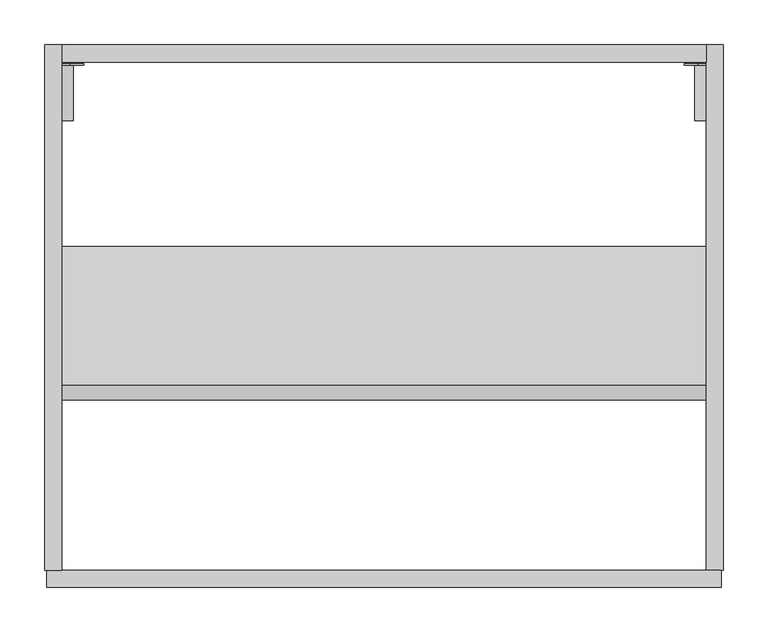
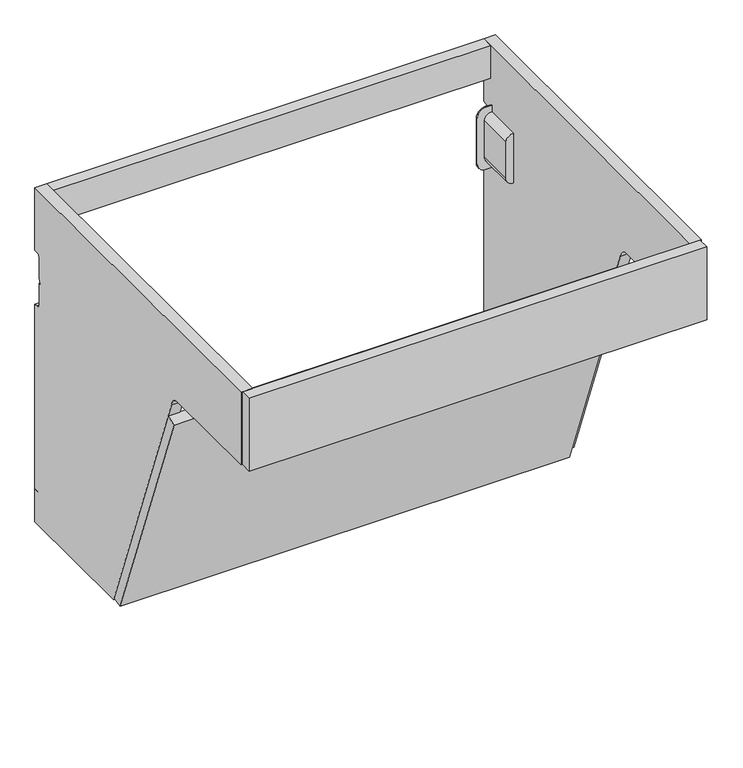
"""IFC4 building model written with IfcOpenShell, lengths in millimetres: furniture geometry."""

from ifc_helpers import new_model, si_unit, point, frame, frame_2d, origin, origin_with_axes, place, context, project, spatial, polyline, circle_curve, trimmed, segment, composite_curve, outline, extrude, source, transform, mapped, element, save
from ifc_brep_helpers import plane_surface, cylinder_surface, advanced_brep


def furniture_562c38b1(model_context):
    return source(origin(), model_context, "Body", "SolidModel", [
        advanced_brep(
        [(739.3672031, -15.7352068, 438.6502238), (739.3672031, -8.4982509, 438.6502238), (733.6499136, -8.4982509, 438.6502238), (733.6499136, -23.4902086, 438.6502238), (742.3428423, -23.4902086, 438.6502238), (742.3428423, -21.5752277, 438.6502238), (739.3672031, -8.4982509, 424.6502063), (739.3672031, -10.1131545, 424.6502063), (733.6499136, -10.1131545, 424.6502063), (733.6499136, -8.4982509, 424.6502063), (733.6499136, -23.4902086, 424.6502063), (733.6499136, -15.5720146, 424.6502063), (739.3672031, -15.5720146, 424.6502063), (739.3672031, -15.7352068, 424.6502063), (742.3428423, -21.5752277, 424.6502063), (742.3428423, -23.4902086, 424.6502063), (733.6499136, -11.3465095, 431.6502151), (733.6499136, -14.3245254, 431.6502151), (739.3672031, -14.3245254, 431.6502151), (739.3672031, -11.3465095, 431.6502151)],
        [
            (0, 1),
            (1, 2, circle_curve(frame((736.5085583, -8.4982509, 438.6502238), z_axis=(0.0, 0.0, 1.0), x_axis=(-1.0, 0.0, 0.0)), 2.8586447)),
            (2, 3),
            (3, 4),
            (4, 5),
            (5, 0),
            (6, 7),
            (7, 8),
            (8, 9),
            (9, 6, circle_curve(frame((736.5085583, -8.4982509, 424.6502063), z_axis=(0.0, 0.0, -1.0), x_axis=(-1.0, 0.0, 0.0)), 2.8586447)),
            (10, 11),
            (11, 12),
            (12, 13),
            (13, 14),
            (14, 15),
            (15, 10),
            (5, 14),
            (13, 0),
            (2, 9),
            (8, 16),
            (16, 17),
            (17, 11),
            (10, 3),
            (1, 6),
            (12, 18),
            (18, 19),
            (19, 7),
            (4, 15),
            (18, 17),
            (16, 19),
        ],
        [
            plane_surface(frame((742.2500427, -21.3930983, 438.6502238), z_axis=(0.0, 0.0, 1.0), x_axis=(0.45399049973954764, -0.8910065241883675, 0.0))),
            plane_surface(frame((742.2500427, -21.3930983, 424.6502063), z_axis=(0.0, 0.0, -1.0), x_axis=(-0.45399049973954764, 0.8910065241883675, 0.0))),
            plane_surface(frame((739.3672031, -15.7352068, 438.6502238), z_axis=(0.8910065241883675, 0.45399049973954764, 0.0), x_axis=(0.0, 0.0, -1.0))),
            plane_surface(frame((733.6499136, -23.4902086, 438.6502238), z_axis=(-1.0, 0.0, 0.0), x_axis=(0.0, 0.0, -1.0))),
            cylinder_surface(frame((736.5085583, -8.4982509, 424.6502063), z_axis=(0.0, 0.0, 1.0), x_axis=(-1.0, 0.0, 0.0)), 2.8586447),
            plane_surface(frame((739.3672031, -8.4982509, 438.6502238), z_axis=(1.0, 0.0, 0.0), x_axis=(0.0, 0.0, -1.0))),
            plane_surface(frame((742.3428423, -21.5752277, 438.6502238), z_axis=(1.0, 0.0, 0.0), x_axis=(0.0, 0.0, -1.0))),
            plane_surface(frame((742.3428423, -23.4902086, 438.6502238), z_axis=(0.0, -1.0, 0.0), x_axis=(0.0, 0.0, -1.0))),
            plane_surface(frame((680.5727603, -11.3465095, 431.6502151), z_axis=(0.0, 0.0, -1.0), x_axis=(1.0, 0.0, 0.0))),
            plane_surface(frame((680.5727603, -14.3245254, 431.6502151), z_axis=(0.0, 0.9844886613913678, -0.1754482134187542), x_axis=(1.0, 0.0, 0.0))),
            plane_surface(frame((680.5727603, -10.1131545, 424.6502063), z_axis=(0.0, -0.9848302513804711, -0.17352053470952136), x_axis=(1.0, 0.0, 0.0))),
        ],
        [
            (0, [[1, 2, 3, 4, 5, 6]]),
            (1, [[7, 8, 9, 10]]),
            (1, [[11, 12, 13, 14, 15, 16]]),
            (2, [[17, -14, 18, -6]]),
            (3, [[19, -9, 20, 21, 22, -11, 23, -3]]),
            (4, [[24, -10, -19, -2]]),
            (5, [[-18, -13, 25, 26, 27, -7, -24, -1]]),
            (6, [[28, -15, -17, -5]]),
            (7, [[-23, -16, -28, -4]]),
            (8, [[-26, 29, -21, 30]]),
            (9, [[-25, -12, -22, -29]]),
            (10, [[-20, -8, -27, -30]]),
        ],
    ),
        extrude(outline(composite_curve([segment(trimmed(circle_curve(frame_2d((454.4501315, 739.1999564)), 1.499963), [point((454.4501315, 740.6999193))], [point((452.9501686, 739.1999564))], True, "CARTESIAN"), True, "CONTINUOUS"), segment(trimmed(circle_curve(frame_2d((450.4695921, 739.1999564)), 2.4805765), [point((452.9501686, 739.1999564))], [point((451.3988324, 736.9000059))], False, "CARTESIAN"), True, "CONTINUOUS"), segment(polyline([(451.3988324, 736.9000059), (419.0132613, 736.9000059)]), True, "CONTINUOUS"), segment(trimmed(circle_curve(frame_2d((419.0132613, 738.5153186)), 1.6153127), [point((419.0132613, 736.9000059))], [point((417.5502399, 739.2000109))], False, "CARTESIAN"), True, "CONTINUOUS"), segment(trimmed(circle_curve(frame_2d((416.0502225, 739.1999019)), 1.5000175), [point((417.5502399, 739.2000109))], [point((416.0502225, 740.6999193))], True, "CARTESIAN"), True, "CONTINUOUS"), segment(polyline([(416.0502225, 740.6999193), (387.6501755, 740.6999193), (387.6501755, 742.8000818), (418.1502397, 742.8000818)]), True, "CONTINUOUS"), segment(trimmed(circle_curve(frame_2d((418.1502397, 741.1609414)), 1.6391404), [point((418.1502397, 742.8000818))], [point((419.6502208, 740.5000042))], False, "CARTESIAN"), True, "CONTINUOUS"), segment(trimmed(circle_curve(frame_2d((420.6914459, 740.0412088)), 1.1378237), [point((419.6502208, 740.5000042))], [point((421.1501656, 738.9999504))], True, "CARTESIAN"), True, "CONTINUOUS"), segment(polyline([(421.1501656, 738.9999504), (449.3501884, 738.9999504)]), True, "CONTINUOUS"), segment(trimmed(circle_curve(frame_2d((449.3501884, 740.3471498)), 1.3471994), [point((449.3501884, 738.9999504))], [point((450.6503807, 740.6999193))], True, "CARTESIAN"), True, "CONTINUOUS"), segment(trimmed(circle_curve(frame_2d((452.2585786, 741.1362572)), 1.6663407), [point((450.6503807, 740.6999193))], [point((452.3501144, 742.8000818))], False, "CARTESIAN"), True, "CONTINUOUS"), segment(polyline([(452.3501144, 742.8000818), (467.8501857, 742.8000818), (467.8501857, 740.6999193), (454.4501315, 740.6999193)]), True, "CONTINUOUS")], self_intersect=False)), frame((0.0, -23.4902086, 0.0), z_axis=(0.0, 1.0, 0.0), x_axis=(0.0, 0.0, 1.0)), (0.0, 0.0, 1.0), 3.1878868),
        extrude(outline(composite_curve([segment(polyline([(470.8980011, 742.8000818), (482.0979352, 742.8000818), (482.0979352, 733.0997675)]), True, "CONTINUOUS"), segment(trimmed(circle_curve(frame_2d((467.098231, 733.0997675)), 14.9997042), [point((482.0979352, 733.0997675))], [point((467.098231, 718.1000633))], False, "CARTESIAN"), True, "CONTINUOUS"), segment(polyline([(467.098231, 718.1000633), (388.3940254, 718.1000633)]), True, "CONTINUOUS"), segment(trimmed(circle_curve(frame_2d((388.3940254, 733.1000198)), 14.9999565), [point((388.3940254, 718.1000633))], [point((373.3940689, 733.1000198))], False, "CARTESIAN"), True, "CONTINUOUS"), segment(polyline([(373.3940689, 733.1000198), (373.3940689, 742.8000818), (384.2300572, 742.8000818)]), True, "CONTINUOUS"), segment(trimmed(circle_curve(frame_2d((396.0939551, 741.7856737)), 11.9071868), [point((384.2300572, 742.8000818))], [point((396.0939551, 729.8784868))], True, "CARTESIAN"), True, "CONTINUOUS"), segment(polyline([(396.0939551, 729.8784868), (459.3980853, 729.8784868)]), True, "CONTINUOUS"), segment(trimmed(circle_curve(frame_2d((459.3980853, 741.4566117)), 11.5781249), [point((459.3980853, 729.8784868))], [point((470.8980011, 742.8000818))], True, "CARTESIAN"), True, "CONTINUOUS")], self_intersect=False)), frame((0.0, -23.4902086, 0.0), z_axis=(0.0, 1.0, 0.0), x_axis=(0.0, 0.0, 1.0)), (0.0, 0.0, 1.0), 2.0971104),
        extrude(outline(composite_curve([segment(polyline([(384.2300572, 742.8000818), (470.8980011, 742.8000818)]), True, "CONTINUOUS"), segment(trimmed(circle_curve(frame_2d((459.3980853, 741.4566117)), 11.5781249), [point((470.8980011, 742.8000818))], [point((459.3980853, 729.8784868))], False, "CARTESIAN"), True, "CONTINUOUS"), segment(polyline([(459.3980853, 729.8784868), (396.0939551, 729.8784868)]), True, "CONTINUOUS"), segment(trimmed(circle_curve(frame_2d((396.0939551, 741.7856737)), 11.9071868), [point((396.0939551, 729.8784868))], [point((384.2300572, 742.8000818))], False, "CARTESIAN"), True, "CONTINUOUS")], self_intersect=False)), frame((0.0, -85.5646173, 0.0), z_axis=(0.0, 1.0, 0.0), x_axis=(0.0, 0.0, 1.0)), (0.0, 0.0, 1.0), 62.0744087),
        advanced_brep(
        [(22.6327969, -15.7352068, 438.6502238), (19.6571577, -21.5752277, 438.6502238), (19.6571577, -23.4902086, 438.6502238), (28.3500864, -23.4902086, 438.6502238), (28.3500864, -8.4982509, 438.6502238), (22.6327969, -8.4982509, 438.6502238), (22.6327969, -8.4982509, 424.6502063), (28.3500864, -8.4982509, 424.6502063), (28.3500864, -10.1131545, 424.6502063), (22.6327969, -10.1131545, 424.6502063), (28.3500864, -23.4902086, 424.6502063), (19.6571577, -23.4902086, 424.6502063), (19.6571577, -21.5752277, 424.6502063), (22.6327969, -15.7352068, 424.6502063), (22.6327969, -15.5720146, 424.6502063), (28.3500864, -15.5720146, 424.6502063), (28.3500864, -14.3245254, 431.6502151), (28.3500864, -11.3465095, 431.6502151), (22.6327969, -11.3465095, 431.6502151), (22.6327969, -14.3245254, 431.6502151)],
        [
            (0, 1),
            (1, 2),
            (2, 3),
            (3, 4),
            (4, 5, circle_curve(frame((25.4914417, -8.4982509, 438.6502238), z_axis=(0.0, 0.0, 1.0), x_axis=(1.0, 0.0, 0.0)), 2.8586447)),
            (5, 0),
            (6, 7, circle_curve(frame((25.4914417, -8.4982509, 424.6502063), z_axis=(0.0, 0.0, -1.0), x_axis=(1.0, 0.0, 0.0)), 2.8586447)),
            (7, 8),
            (8, 9),
            (9, 6),
            (10, 11),
            (11, 12),
            (12, 13),
            (13, 14),
            (14, 15),
            (15, 10),
            (0, 13),
            (12, 1),
            (3, 10),
            (15, 16),
            (16, 17),
            (17, 8),
            (7, 4),
            (6, 5),
            (9, 18),
            (18, 19),
            (19, 14),
            (11, 2),
            (18, 17),
            (16, 19),
        ],
        [
            plane_surface(frame((19.7499573, -21.3930983, 438.6502238), z_axis=(0.0, 0.0, 1.0), x_axis=(-0.45399049973954764, -0.8910065241883675, 0.0))),
            plane_surface(frame((19.7499573, -21.3930983, 424.6502063), z_axis=(0.0, 0.0, -1.0), x_axis=(0.45399049973954764, 0.8910065241883675, 0.0))),
            plane_surface(frame((22.6327969, -15.7352068, 438.6502238), z_axis=(-0.8910065241883675, 0.45399049973954764, 0.0), x_axis=(0.0, 0.0, -1.0))),
            plane_surface(frame((28.3500864, -23.4902086, 438.6502238), z_axis=(1.0, 0.0, 0.0), x_axis=(0.0, 0.0, -1.0))),
            cylinder_surface(frame((25.4914417, -8.4982509, 424.6502063), z_axis=(0.0, 0.0, 1.0), x_axis=(1.0, 0.0, 0.0)), 2.8586447),
            plane_surface(frame((22.6327969, -8.4982509, 438.6502238), z_axis=(-1.0, 0.0, 0.0), x_axis=(0.0, 0.0, -1.0))),
            plane_surface(frame((19.6571577, -21.5752277, 438.6502238), z_axis=(-1.0, 0.0, 0.0), x_axis=(0.0, 0.0, -1.0))),
            plane_surface(frame((19.6571577, -23.4902086, 438.6502238), z_axis=(0.0, -1.0, 0.0), x_axis=(0.0, 0.0, -1.0))),
            plane_surface(frame((81.4272397, -11.3465095, 431.6502151), z_axis=(0.0, 0.0, -1.0), x_axis=(-1.0, 0.0, 0.0))),
            plane_surface(frame((81.4272397, -14.3245254, 431.6502151), z_axis=(0.0, 0.9844886613913678, -0.1754482134187542), x_axis=(-1.0, 0.0, 0.0))),
            plane_surface(frame((81.4272397, -10.1131545, 424.6502063), z_axis=(0.0, -0.9848302513804711, -0.17352053470952136), x_axis=(-1.0, 0.0, 0.0))),
        ],
        [
            (0, [[1, 2, 3, 4, 5, 6]]),
            (1, [[7, 8, 9, 10]]),
            (1, [[11, 12, 13, 14, 15, 16]]),
            (2, [[-1, 17, -13, 18]]),
            (3, [[-4, 19, -16, 20, 21, 22, -8, 23]]),
            (4, [[-5, -23, -7, 24]]),
            (5, [[-6, -24, -10, 25, 26, 27, -14, -17]]),
            (6, [[-2, -18, -12, 28]]),
            (7, [[-3, -28, -11, -19]]),
            (8, [[29, -21, 30, -26]]),
            (9, [[-30, -20, -15, -27]]),
            (10, [[-29, -25, -9, -22]]),
        ],
    ),
        extrude(outline(composite_curve([segment(polyline([(454.4501315, 21.3000807), (467.8501857, 21.3000807), (467.8501857, 19.1999182), (452.3501144, 19.1999182)]), True, "CONTINUOUS"), segment(trimmed(circle_curve(frame_2d((452.2585786, 20.8637428)), 1.6663407), [point((452.3501144, 19.1999182))], [point((450.6503807, 21.3000807))], False, "CARTESIAN"), True, "CONTINUOUS"), segment(trimmed(circle_curve(frame_2d((449.3501884, 21.6528502)), 1.3471994), [point((450.6503807, 21.3000807))], [point((449.3501884, 23.0000496))], True, "CARTESIAN"), True, "CONTINUOUS"), segment(polyline([(449.3501884, 23.0000496), (421.1501656, 23.0000496)]), True, "CONTINUOUS"), segment(trimmed(circle_curve(frame_2d((420.6914459, 21.9587912)), 1.1378237), [point((421.1501656, 23.0000496))], [point((419.6502208, 21.4999958))], True, "CARTESIAN"), True, "CONTINUOUS"), segment(trimmed(circle_curve(frame_2d((418.1502397, 20.8390586)), 1.6391404), [point((419.6502208, 21.4999958))], [point((418.1502397, 19.1999182))], False, "CARTESIAN"), True, "CONTINUOUS"), segment(polyline([(418.1502397, 19.1999182), (387.6501755, 19.1999182), (387.6501755, 21.3000807), (416.0502225, 21.3000807)]), True, "CONTINUOUS"), segment(trimmed(circle_curve(frame_2d((416.0502225, 22.8000981)), 1.5000175), [point((416.0502225, 21.3000807))], [point((417.5502399, 22.7999891))], True, "CARTESIAN"), True, "CONTINUOUS"), segment(trimmed(circle_curve(frame_2d((419.0132613, 23.4846814)), 1.6153127), [point((417.5502399, 22.7999891))], [point((419.0132613, 25.0999941))], False, "CARTESIAN"), True, "CONTINUOUS"), segment(polyline([(419.0132613, 25.0999941), (451.3988324, 25.0999941)]), True, "CONTINUOUS"), segment(trimmed(circle_curve(frame_2d((450.4695921, 22.8000436)), 2.4805765), [point((451.3988324, 25.0999941))], [point((452.9501686, 22.8000436))], False, "CARTESIAN"), True, "CONTINUOUS"), segment(trimmed(circle_curve(frame_2d((454.4501315, 22.8000436)), 1.499963), [point((452.9501686, 22.8000436))], [point((454.4501315, 21.3000807))], True, "CARTESIAN"), True, "CONTINUOUS")], self_intersect=False)), frame((0.0, -23.4902086, 0.0), z_axis=(0.0, 1.0, 0.0), x_axis=(0.0, 0.0, 1.0)), (0.0, 0.0, 1.0), 3.1878868),
        extrude(outline(composite_curve([segment(trimmed(circle_curve(frame_2d((459.3980853, 20.5433883)), 11.5781249), [point((470.8980011, 19.1999182))], [point((459.3980853, 32.1215132))], True, "CARTESIAN"), True, "CONTINUOUS"), segment(polyline([(459.3980853, 32.1215132), (396.0939551, 32.1215132)]), True, "CONTINUOUS"), segment(trimmed(circle_curve(frame_2d((396.0939551, 20.2143263)), 11.9071868), [point((396.0939551, 32.1215132))], [point((384.2300572, 19.1999182))], True, "CARTESIAN"), True, "CONTINUOUS"), segment(polyline([(384.2300572, 19.1999182), (373.3940689, 19.1999182), (373.3940689, 28.8999802)]), True, "CONTINUOUS"), segment(trimmed(circle_curve(frame_2d((388.3940254, 28.8999802)), 14.9999565), [point((373.3940689, 28.8999802))], [point((388.3940254, 43.8999367))], False, "CARTESIAN"), True, "CONTINUOUS"), segment(polyline([(388.3940254, 43.8999367), (467.098231, 43.8999367)]), True, "CONTINUOUS"), segment(trimmed(circle_curve(frame_2d((467.098231, 28.9002325)), 14.9997042), [point((467.098231, 43.8999367))], [point((482.0979352, 28.9002325))], False, "CARTESIAN"), True, "CONTINUOUS"), segment(polyline([(482.0979352, 28.9002325), (482.0979352, 19.1999182), (470.8980011, 19.1999182)]), True, "CONTINUOUS")], self_intersect=False)), frame((0.0, -23.4902086, 0.0), z_axis=(0.0, 1.0, 0.0), x_axis=(0.0, 0.0, 1.0)), (0.0, 0.0, 1.0), 2.0971104),
        extrude(outline(composite_curve([segment(trimmed(circle_curve(frame_2d((396.0939551, 20.2143263)), 11.9071868), [point((384.2300572, 19.1999182))], [point((396.0939551, 32.1215132))], False, "CARTESIAN"), True, "CONTINUOUS"), segment(polyline([(396.0939551, 32.1215132), (459.3980853, 32.1215132)]), True, "CONTINUOUS"), segment(trimmed(circle_curve(frame_2d((459.3980853, 20.5433883)), 11.5781249), [point((459.3980853, 32.1215132))], [point((470.8980011, 19.1999182))], False, "CARTESIAN"), True, "CONTINUOUS"), segment(polyline([(470.8980011, 19.1999182), (384.2300572, 19.1999182)]), True, "CONTINUOUS")], self_intersect=False)), frame((0.0, -85.5646173, 0.0), z_axis=(0.0, 1.0, 0.0), x_axis=(0.0, 0.0, 1.0)), (0.0, 0.0, 1.0), 62.0744087),
        advanced_brep(
        [(22.6327969, -15.7352068, 438.6502238), (19.6571577, -21.5752277, 438.6502238), (19.6571577, -23.4902086, 438.6502238), (28.3500864, -23.4902086, 438.6502238), (28.3500864, -8.4982509, 438.6502238), (22.6327969, -8.4982509, 438.6502238), (22.6327969, -8.4982509, 424.6502063), (28.3500864, -8.4982509, 424.6502063), (28.3500864, -10.1131545, 424.6502063), (22.6327969, -10.1131545, 424.6502063), (28.3500864, -23.4902086, 424.6502063), (19.6571577, -23.4902086, 424.6502063), (19.6571577, -21.5752277, 424.6502063), (22.6327969, -15.7352068, 424.6502063), (22.6327969, -15.5720146, 424.6502063), (28.3500864, -15.5720146, 424.6502063), (28.3500864, -14.3245254, 431.6502151), (28.3500864, -11.3465095, 431.6502151), (22.6327969, -11.3465095, 431.6502151), (22.6327969, -14.3245254, 431.6502151)],
        [
            (0, 1),
            (1, 2),
            (2, 3),
            (3, 4),
            (4, 5, circle_curve(frame((25.4914417, -8.4982509, 438.6502238), z_axis=(0.0, 0.0, 1.0), x_axis=(1.0, 0.0, 0.0)), 2.8586447)),
            (5, 0),
            (6, 7, circle_curve(frame((25.4914417, -8.4982509, 424.6502063), z_axis=(0.0, 0.0, -1.0), x_axis=(1.0, 0.0, 0.0)), 2.8586447)),
            (7, 8),
            (8, 9),
            (9, 6),
            (10, 11),
            (11, 12),
            (12, 13),
            (13, 14),
            (14, 15),
            (15, 10),
            (0, 13),
            (12, 1),
            (3, 10),
            (15, 16),
            (16, 17),
            (17, 8),
            (7, 4),
            (6, 5),
            (9, 18),
            (18, 19),
            (19, 14),
            (11, 2),
            (18, 17),
            (16, 19),
        ],
        [
            plane_surface(frame((19.7499573, -21.3930983, 438.6502238), z_axis=(0.0, 0.0, 1.0), x_axis=(-0.45399049973954764, -0.8910065241883675, 0.0))),
            plane_surface(frame((19.7499573, -21.3930983, 424.6502063), z_axis=(0.0, 0.0, -1.0), x_axis=(0.45399049973954764, 0.8910065241883675, 0.0))),
            plane_surface(frame((22.6327969, -15.7352068, 438.6502238), z_axis=(-0.8910065241883675, 0.45399049973954764, 0.0), x_axis=(0.0, 0.0, -1.0))),
            plane_surface(frame((28.3500864, -23.4902086, 438.6502238), z_axis=(1.0, 0.0, 0.0), x_axis=(0.0, 0.0, -1.0))),
            cylinder_surface(frame((25.4914417, -8.4982509, 424.6502063), z_axis=(0.0, 0.0, 1.0), x_axis=(1.0, 0.0, 0.0)), 2.8586447),
            plane_surface(frame((22.6327969, -8.4982509, 438.6502238), z_axis=(-1.0, 0.0, 0.0), x_axis=(0.0, 0.0, -1.0))),
            plane_surface(frame((19.6571577, -21.5752277, 438.6502238), z_axis=(-1.0, 0.0, 0.0), x_axis=(0.0, 0.0, -1.0))),
            plane_surface(frame((19.6571577, -23.4902086, 438.6502238), z_axis=(0.0, -1.0, 0.0), x_axis=(0.0, 0.0, -1.0))),
            plane_surface(frame((1116.5662381, -11.3465095, 431.6502151), z_axis=(0.0, 0.0, -1.0), x_axis=(-1.0, 0.0, 0.0))),
            plane_surface(frame((1116.5662381, -14.3245254, 431.6502151), z_axis=(0.0, 0.9844886613913678, -0.1754482134187542), x_axis=(-1.0, 0.0, 0.0))),
            plane_surface(frame((1116.5662381, -10.1131545, 424.6502063), z_axis=(0.0, -0.9848302513804711, -0.17352053470952136), x_axis=(-1.0, 0.0, 0.0))),
        ],
        [
            (0, [[1, 2, 3, 4, 5, 6]]),
            (1, [[7, 8, 9, 10]]),
            (1, [[11, 12, 13, 14, 15, 16]]),
            (2, [[-1, 17, -13, 18]]),
            (3, [[-4, 19, -16, 20, 21, 22, -8, 23]]),
            (4, [[-5, -23, -7, 24]]),
            (5, [[-6, -24, -10, 25, 26, 27, -14, -17]]),
            (6, [[-2, -18, -12, 28]]),
            (7, [[-3, -28, -11, -19]]),
            (8, [[29, -21, 30, -26]]),
            (9, [[-30, -20, -15, -27]]),
            (10, [[-29, -25, -9, -22]]),
        ],
    ),
        extrude(outline(composite_curve([segment(polyline([(0.0, 474.4200608), (-5.073648, 474.4200608)]), True, "CONTINUOUS"), segment(trimmed(circle_curve(frame_2d((-5.073648, 466.7935029)), 7.6265579), [point((-5.073648, 474.4200608))], [point((-12.7002059, 466.7935029))], True, "CARTESIAN"), True, "CONTINUOUS"), segment(polyline([(-12.7002059, 466.7935029), (-12.7002059, 431.6502151), (-14.3245254, 431.6502151), (-15.5720146, 424.6502063), (-12.7002059, 424.6502063), (-12.7002059, 388.0400572)]), True, "CONTINUOUS"), segment(trimmed(circle_curve(frame_2d((-5.0802059, 388.0400572)), 7.62), [point((-12.7002059, 388.0400572))], [point((-5.0802059, 380.4200572))], True, "CARTESIAN"), True, "CONTINUOUS"), segment(polyline([(-5.0802059, 380.4200572), (0.0, 380.4200572), (0.0, 0.0), (-225.4464623, 0.0), (-391.6517113, 441.4211673)]), True, "CONTINUOUS"), segment(trimmed(circle_curve(frame_2d((-409.7924691, 438.7661309)), 18.3340206), [point((-391.6517113, 441.4211673))], [point((-409.7924691, 457.1001514))], True, "CARTESIAN"), True, "CONTINUOUS"), segment(polyline([(-409.7924691, 457.1001514), (-590.4000092, 457.1001514), (-590.4000092, 584.1000667), (0.0, 584.1000667), (0.0, 474.4200608)]), True, "CONTINUOUS")], self_intersect=False)), frame((0.0, 0.0, 0.0), z_axis=(1.0, 0.0, 0.0), x_axis=(0.0, 1.0, 0.0)), (0.0, 0.0, 1.0), 19.1999182),
        extrude(outline(composite_curve([segment(polyline([(454.4501315, 21.3000807), (467.8501857, 21.3000807), (467.8501857, 19.1999182), (452.3501144, 19.1999182)]), True, "CONTINUOUS"), segment(trimmed(circle_curve(frame_2d((452.2585786, 20.8637428)), 1.6663407), [point((452.3501144, 19.1999182))], [point((450.6503807, 21.3000807))], False, "CARTESIAN"), True, "CONTINUOUS"), segment(trimmed(circle_curve(frame_2d((449.3501884, 21.6528502)), 1.3471994), [point((450.6503807, 21.3000807))], [point((449.3501884, 23.0000496))], True, "CARTESIAN"), True, "CONTINUOUS"), segment(polyline([(449.3501884, 23.0000496), (421.1501656, 23.0000496)]), True, "CONTINUOUS"), segment(trimmed(circle_curve(frame_2d((420.6914459, 21.9587912)), 1.1378237), [point((421.1501656, 23.0000496))], [point((419.6502208, 21.4999958))], True, "CARTESIAN"), True, "CONTINUOUS"), segment(trimmed(circle_curve(frame_2d((418.1502397, 20.8390586)), 1.6391404), [point((419.6502208, 21.4999958))], [point((418.1502397, 19.1999182))], False, "CARTESIAN"), True, "CONTINUOUS"), segment(polyline([(418.1502397, 19.1999182), (387.6501755, 19.1999182), (387.6501755, 21.3000807), (416.0502225, 21.3000807)]), True, "CONTINUOUS"), segment(trimmed(circle_curve(frame_2d((416.0502225, 22.8000981)), 1.5000175), [point((416.0502225, 21.3000807))], [point((417.5502399, 22.7999891))], True, "CARTESIAN"), True, "CONTINUOUS"), segment(trimmed(circle_curve(frame_2d((419.0132613, 23.4846814)), 1.6153127), [point((417.5502399, 22.7999891))], [point((419.0132613, 25.0999941))], False, "CARTESIAN"), True, "CONTINUOUS"), segment(polyline([(419.0132613, 25.0999941), (451.3988324, 25.0999941)]), True, "CONTINUOUS"), segment(trimmed(circle_curve(frame_2d((450.4695921, 22.8000436)), 2.4805765), [point((451.3988324, 25.0999941))], [point((452.9501686, 22.8000436))], False, "CARTESIAN"), True, "CONTINUOUS"), segment(trimmed(circle_curve(frame_2d((454.4501315, 22.8000436)), 1.499963), [point((452.9501686, 22.8000436))], [point((454.4501315, 21.3000807))], True, "CARTESIAN"), True, "CONTINUOUS")], self_intersect=False)), frame((0.0, -23.4902086, 0.0), z_axis=(0.0, 1.0, 0.0), x_axis=(0.0, 0.0, 1.0)), (0.0, 0.0, 1.0), 3.1878868),
        extrude(outline(polyline([(742.8000818, 0.0), (742.8000818, -19.6000464), (0.0, -19.6000464), (0.0, 0.0), (742.8000818, 0.0)])), frame((0.0, 0.0, 527.2200356), z_axis=(0.0, 0.0, 1.0), x_axis=(1.0, 0.0, 0.0)), (0.0, 0.0, 1.0), 56.880031),
        extrude(outline(polyline([(742.8000818, 0.0), (742.8000818, -19.6000464), (0.0, -19.6000464), (0.0, 0.0), (742.8000818, 0.0)])), origin_with_axes(), (0.0, 0.0, 1.0), 57.8800426),
        extrude(outline(polyline([(-226.8256097, 3.6628499), (-245.0194556, 1.0000359), (-399.1373802, 410.3187219), (-382.3244816, 416.649166), (-226.8256097, 3.6628499)])), frame((0.0, 0.0, 0.0), z_axis=(1.0, 0.0, 0.0), x_axis=(0.0, 1.0, 0.0)), (0.0, 0.0, 1.0), 742.8000818),
        extrude(outline(polyline([(759.4998619, -590.4000092), (759.4998619, -609.6), (2.4999928, -609.6), (2.4999928, -590.4000092), (759.4998619, -590.4000092)])), frame((0.0, 0.0, 457.1001514), z_axis=(0.0, 0.0, 1.0), x_axis=(1.0, 0.0, 0.0)), (0.0, 0.0, 1.0), 126.9999152),
        extrude(outline(composite_curve([segment(polyline([(0.0, 474.4200608), (-5.073648, 474.4200608)]), True, "CONTINUOUS"), segment(trimmed(circle_curve(frame_2d((-5.073648, 466.7935029)), 7.6265579), [point((-5.073648, 474.4200608))], [point((-12.7002059, 466.7935029))], True, "CARTESIAN"), True, "CONTINUOUS"), segment(polyline([(-12.7002059, 466.7935029), (-12.7002059, 388.0400572)]), True, "CONTINUOUS"), segment(trimmed(circle_curve(frame_2d((-5.0802059, 388.0400572)), 7.62), [point((-12.7002059, 388.0400572))], [point((-5.0802059, 380.4200572))], True, "CARTESIAN"), True, "CONTINUOUS"), segment(polyline([(-5.0802059, 380.4200572), (0.0, 380.4200572), (0.0, 0.0), (-225.4464623, 0.0), (-391.6517113, 441.4211673)]), True, "CONTINUOUS"), segment(trimmed(circle_curve(frame_2d((-409.7924691, 438.7661309)), 18.3340206), [point((-391.6517113, 441.4211673))], [point((-409.7924691, 457.1001514))], True, "CARTESIAN"), True, "CONTINUOUS"), segment(polyline([(-409.7924691, 457.1001514), (-590.4000092, 457.1001514), (-590.4000092, 584.1000667), (0.0, 584.1000667), (0.0, 474.4200608)]), True, "CONTINUOUS")], self_intersect=False)), frame((742.8000818, 0.0, 0.0), z_axis=(1.0, 0.0, 0.0), x_axis=(0.0, 1.0, 0.0)), (0.0, 0.0, 1.0), 19.1999182),
    ])


if __name__ == "__main__":
    model = new_model("IFC4")
    model_context = context("Model", 3, world=origin())
    ifc_project = project(units=[si_unit("LENGTHUNIT", "METRE", prefix="MILLI")], contexts=[model_context])
    site = spatial("IfcSite", under=ifc_project)
    building = spatial("IfcBuilding", under=site)
    placement = place(None, origin())
    furniture_shape = furniture_562c38b1(model_context)
    element("IfcFurniture", 1, at=placement, inside=building, context=model_context, shape_type="MappedRepresentation", body=[
        mapped(furniture_shape, transform((0.0, 0.0, 0.0), x_axis=(1.0, 0.0, 0.0), y_axis=(0.0, 1.0, 0.0), z_axis=(0.0, 0.0, 1.0))),
    ])
    save(model, "model.ifc")
